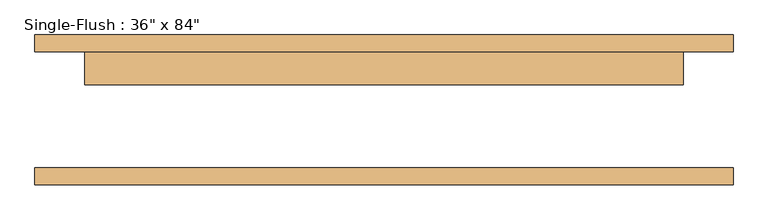
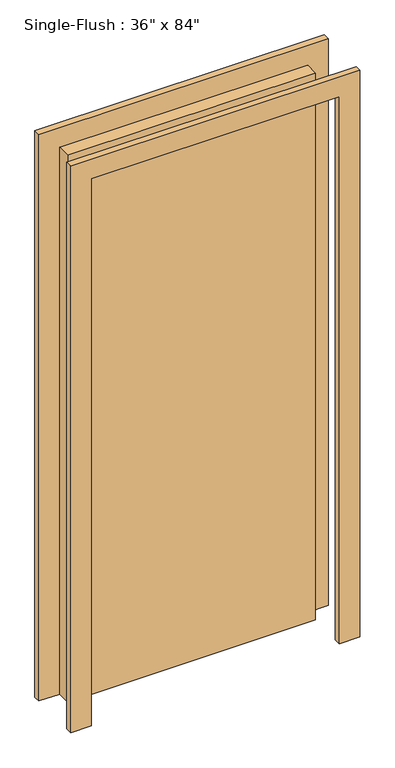
"""IFC4 building model written with IfcOpenShell, lengths in millimetres: door geometry."""

from ifc_helpers import new_model, si_unit, frame, origin, origin_with_axes, place, context, project, spatial, polyline, outline, extrude, source, transform, mapped, element, save


def door_90112511(model_context):
    return source(origin(), model_context, "Body", "SweptSolid", [
        extrude(outline(polyline([(2209.8, -533.4), (0.0, -533.4), (0.0, -457.2), (2133.6, -457.2), (2133.6, 457.2), (0.0, 457.2), (0.0, 533.4), (2209.8, 533.4), (2209.8, -533.4)])), frame((0.0, 88.9, 0.0), z_axis=(0.0, 1.0, 0.0), x_axis=(0.0, 0.0, 1.0)), (0.0, 0.0, 1.0), 25.4),
        extrude(outline(polyline([(2209.8, 533.4), (2209.8, -533.4), (0.0, -533.4), (0.0, -457.2), (2133.6, -457.2), (2133.6, 457.2), (0.0, 457.2), (0.0, 533.4), (2209.8, 533.4)])), frame((0.0, -114.3, 0.0), z_axis=(0.0, 1.0, 0.0), x_axis=(0.0, 0.0, 1.0)), (0.0, 0.0, 1.0), 25.4),
        extrude(outline(polyline([(457.2, 38.1), (-457.2, 38.1), (-457.2, 88.9), (457.2, 88.9), (457.2, 38.1)])), origin_with_axes(), (0.0, 0.0, 1.0), 2133.6),
    ])


if __name__ == "__main__":
    model = new_model("IFC4")
    model_context = context("Model", 3, world=origin())
    ifc_project = project(units=[si_unit("LENGTHUNIT", "METRE", prefix="MILLI")], contexts=[model_context])
    site = spatial("IfcSite", under=ifc_project)
    building = spatial("IfcBuilding", under=site)
    placement = place(None, origin())
    door_shape = door_90112511(model_context)
    element("IfcDoor", 1, ObjectType="Single-Flush : 36\" x 84\"", at=placement, inside=building, context=model_context, shape_type="MappedRepresentation", body=[
        mapped(door_shape, transform((0.0, 0.0, 0.0), x_axis=(1.0, 0.0, 0.0), y_axis=(0.0, 1.0, 0.0), z_axis=(0.0, 0.0, 1.0))),
    ])
    save(model, "model.ifc")
